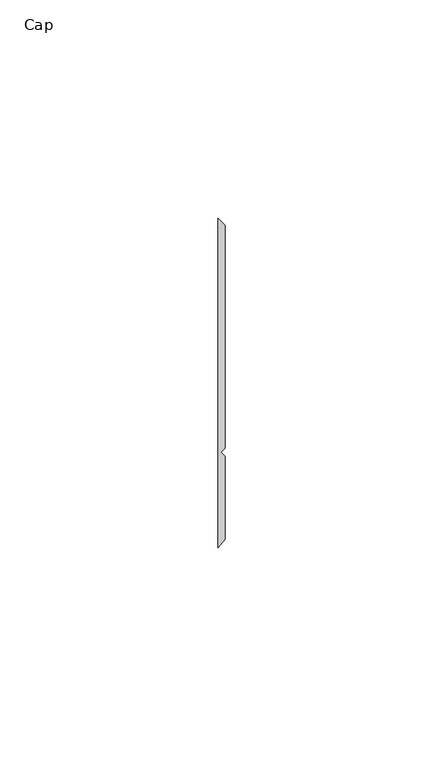
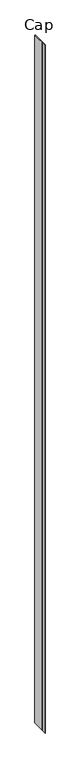
"""IFC4 building model written with IfcOpenShell, lengths in millimetres: furniture geometry, Cap."""

from ifc_helpers import new_model, si_unit, origin, origin_with_axes, place, context, project, spatial, polyline, outline, extrude, source, transform, mapped, element, save


def cap_6783382d(model_context):
    return source(origin(), model_context, "Body", "SweptSolid", [
        extrude(outline(polyline([(29.9771531, 46.5601737), (31.5646531, 44.9726737), (31.5646531, -6.2135897), (30.6563205, -7.1219223), (31.5646531, -8.0302549), (31.5646531, -27.0760904), (29.9771531, -28.948195), (29.9771531, 46.5601737)])), origin_with_axes(), (0.0, 0.0, 1.0), 3048.0),
    ])


if __name__ == "__main__":
    model = new_model("IFC4")
    model_context = context("Model", 3, world=origin())
    ifc_project = project(units=[si_unit("LENGTHUNIT", "METRE", prefix="MILLI")], contexts=[model_context])
    site = spatial("IfcSite", under=ifc_project)
    building = spatial("IfcBuilding", under=site)
    placement = place(None, origin())
    cap_shape = cap_6783382d(model_context)
    element("IfcFurniture", 1, ObjectType="Cap", at=placement, inside=building, context=model_context, shape_type="MappedRepresentation", body=[
        mapped(cap_shape, transform((0.0, 0.0, 0.0), x_axis=(1.0, 0.0, 0.0), y_axis=(0.0, 1.0, 0.0), z_axis=(0.0, 0.0, 1.0))),
    ])
    save(model, "model.ifc")
